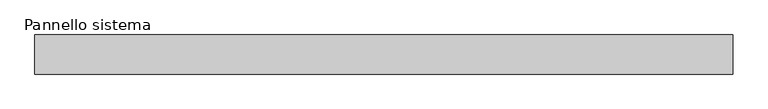
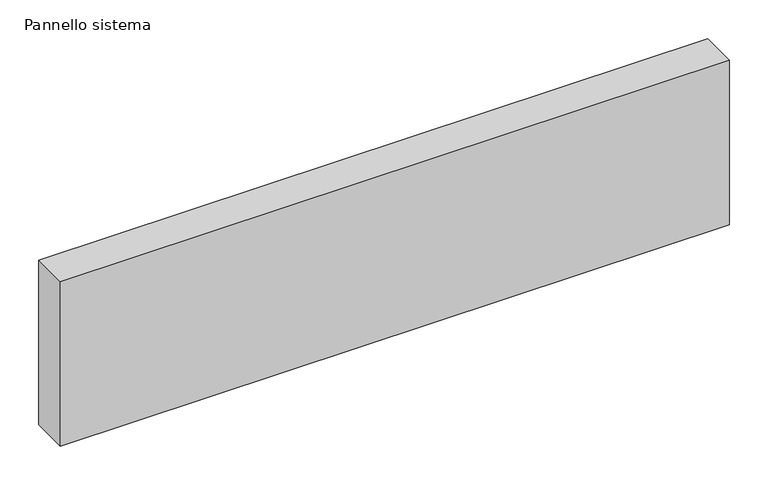
"""IFC4 building model written with IfcOpenShell, lengths in millimetres: plate geometry, Pannello sistema."""

from ifc_helpers import new_model, si_unit, origin, origin_with_axes, place, context, project, spatial, polyline, outline, extrude, source, transform, mapped, element, save


def pannello_sistema_f4f7b3c1(model_context):
    return source(origin(), model_context, "Body", "SweptSolid", [
        extrude(outline(polyline([(500.0, -28.0), (-500.0, -28.0), (-500.0, 28.0), (500.0, 28.0), (500.0, -28.0)])), origin_with_axes(), (0.0, 0.0, 1.0), 260.0),
    ])


if __name__ == "__main__":
    model = new_model("IFC4")
    model_context = context("Model", 3, world=origin())
    ifc_project = project(units=[si_unit("LENGTHUNIT", "METRE", prefix="MILLI")], contexts=[model_context])
    site = spatial("IfcSite", under=ifc_project)
    building = spatial("IfcBuilding", under=site)
    placement = place(None, origin())
    pannello_sistema_shape = pannello_sistema_f4f7b3c1(model_context)
    element("IfcPlate", 1, ObjectType="Pannello sistema", at=placement, inside=building, context=model_context, shape_type="MappedRepresentation", body=[
        mapped(pannello_sistema_shape, transform((0.0, 0.0, 0.0), x_axis=(1.0, 0.0, 0.0), y_axis=(0.0, 1.0, 0.0), z_axis=(0.0, 0.0, 1.0))),
    ])
    save(model, "model.ifc")
